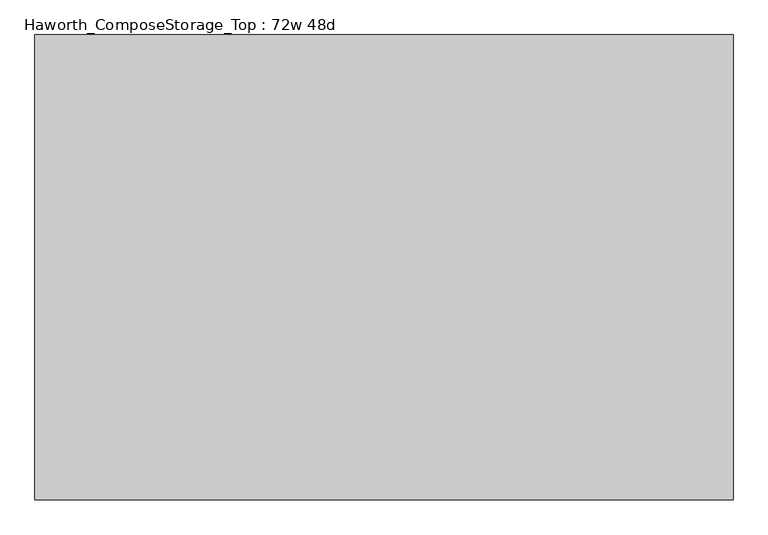
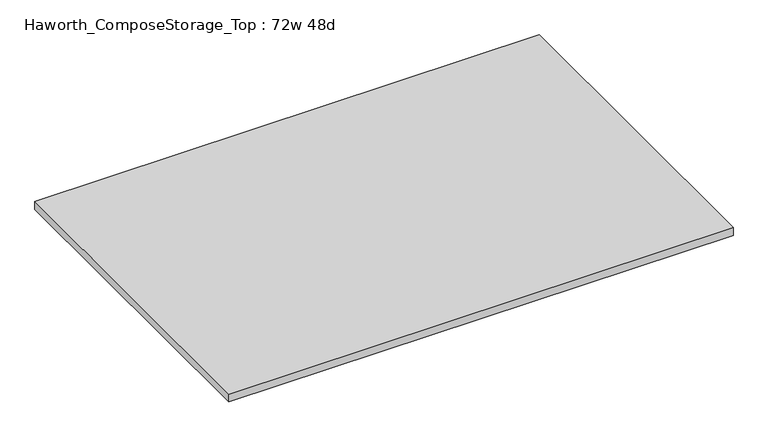
"""IFC4 building model written with IfcOpenShell, lengths in millimetres: furniture geometry, Haworth_ComposeStorage_Top : 72w 48d."""

from ifc_helpers import new_model, si_unit, frame, origin, place, context, project, spatial, polyline, outline, extrude, source, transform, mapped, element, save


def haworth_composestorage_top_72w_48d_2e1eddc6(model_context):
    return source(origin(), model_context, "Body", "SweptSolid", [
        extrude(outline(polyline([(914.4, 609.6), (914.4, -609.6), (-914.4, -609.6), (-914.4, 609.6), (914.4, 609.6)])), frame((0.0, 0.0, 706.4375), z_axis=(0.0, 0.0, 1.0), x_axis=(1.0, 0.0, 0.0)), (0.0, 0.0, 1.0), 30.1625),
    ])


if __name__ == "__main__":
    model = new_model("IFC4")
    model_context = context("Model", 3, world=origin())
    ifc_project = project(units=[si_unit("LENGTHUNIT", "METRE", prefix="MILLI")], contexts=[model_context])
    site = spatial("IfcSite", under=ifc_project)
    building = spatial("IfcBuilding", under=site)
    placement = place(None, origin())
    haworth_composestorage_top_72w_48d_shape = haworth_composestorage_top_72w_48d_2e1eddc6(model_context)
    element("IfcFurniture", 1, ObjectType="Haworth_ComposeStorage_Top : 72w 48d", at=placement, inside=building, context=model_context, shape_type="MappedRepresentation", body=[
        mapped(haworth_composestorage_top_72w_48d_shape, transform((0.0, 0.0, 0.0), x_axis=(1.0, 0.0, 0.0), y_axis=(0.0, 1.0, 0.0), z_axis=(0.0, 0.0, 1.0))),
    ])
    save(model, "model.ifc")
